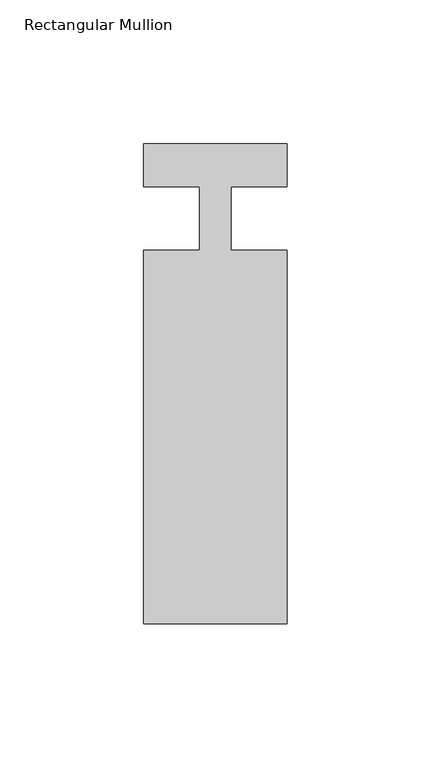
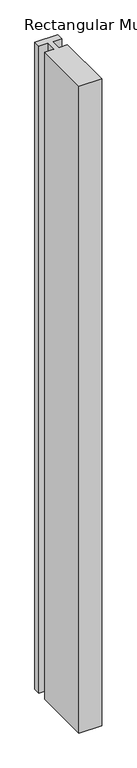
"""IFC4 building model written with IfcOpenShell, lengths in millimetres: member geometry, Rectangular Mullion."""

from ifc_helpers import new_model, si_unit, frame, origin, place, context, project, spatial, polyline, outline, extrude, source, transform, mapped, element, save


def rectangular_mullion_0687798e(model_context):
    return source(origin(), model_context, "Body", "SweptSolid", [
        extrude(outline(polyline([(25.0, -141.0), (-25.0, -141.0), (-25.0, -11.0), (-5.4999998, -11.0), (-5.4999998, 11.0), (-25.0, 11.0), (-25.0, 26.0), (25.0, 26.0), (25.0, 11.0), (5.5, 11.0), (5.5, -11.0), (25.0, -11.0), (25.0, -141.0)])), frame((0.0, 0.0, -1500.0), z_axis=(0.0, 0.0, 1.0), x_axis=(1.0, 0.0, 0.0)), (0.0, 0.0, 1.0), 1500.0),
    ])


if __name__ == "__main__":
    model = new_model("IFC4")
    model_context = context("Model", 3, world=origin())
    ifc_project = project(units=[si_unit("LENGTHUNIT", "METRE", prefix="MILLI")], contexts=[model_context])
    site = spatial("IfcSite", under=ifc_project)
    building = spatial("IfcBuilding", under=site)
    placement = place(None, origin())
    rectangular_mullion_shape = rectangular_mullion_0687798e(model_context)
    element("IfcMember", 1, ObjectType="Rectangular Mullion", at=placement, inside=building, context=model_context, shape_type="MappedRepresentation", body=[
        mapped(rectangular_mullion_shape, transform((0.0, 0.0, 0.0), x_axis=(1.0, 0.0, 0.0), y_axis=(0.0, 1.0, 0.0), z_axis=(0.0, 0.0, 1.0))),
    ])
    save(model, "model.ifc")
